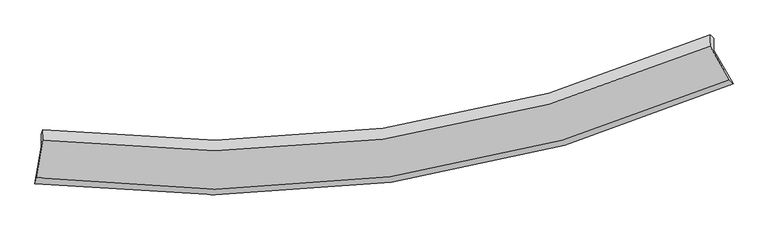
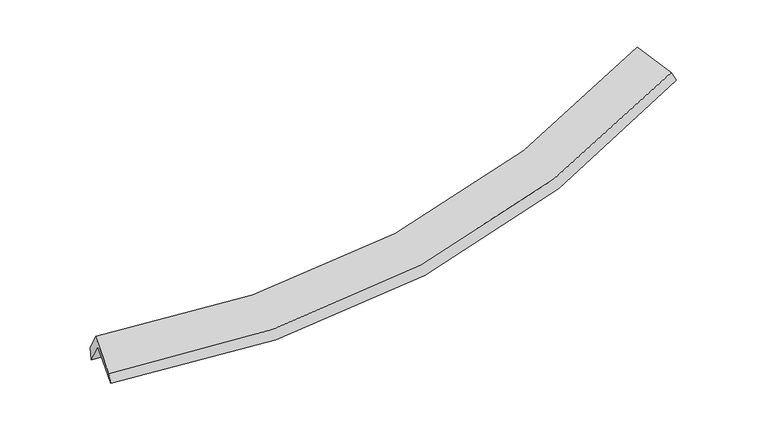
"""IFC4 building model written with IfcOpenShell, lengths in millimetres: proxy geometry."""

from ifc_helpers import new_model, si_unit, frame, origin, place, context, project, spatial, source, transform, mapped, element, save
from ifc_brep_helpers import plane_surface, spline_curve, spline_surface, advanced_brep


def generic_models_18edbecc(model_context):
    return source(origin(), model_context, "Body", "AdvancedBrep", [
        advanced_brep(
        [(-5480.4490627, -2663.4261412, 1492.4344257), (-5380.0252889, -2081.4170834, 1799.2798718), (5239.535453, -557.3775405, 2690.2464203), (5545.8965686, -1084.8680483, 2415.6879405), (-5376.746552, -1888.1496999, 1431.6269301), (5242.726833, -369.2594676, 2332.3890227), (-5355.2930806, -1811.8767352, 1601.3374571), (5187.4442317, -316.0972493, 2458.9837437), (-5358.1644647, -1981.1324301, 1923.3129141), (5184.3558842, -498.1420012, 2805.28785), (-5460.7262749, -2575.532544, 1609.9346846), (5487.987412, -1020.9327231, 2533.1756058)],
        [
            (0, 1),
            (1, 2, spline_curve(3, [(-5380.0252889, -2081.4170834, 1799.2798718), (-3528.264150618, -2313.811019758, 1693.661895495), (-1721.659813874, -2304.8708767, 1714.08548826), (1819.115165469, -1801.781976469, 2008.502533264), (3552.364408854, -1302.708938496, 2285.067790285), (5239.535453, -557.3775405, 2690.2464203)], [4, 2, 4], [0.0, 18.12209438347632, 36.428140513764646])),
            (2, 3),
            (3, 0, spline_curve(3, [(5545.8965686, -1084.8680483, 2415.6879405), (3795.671503669, -1861.099847136, 1993.703305099), (1996.812489192, -2380.13427903, 1706.059655842), (-1679.608558141, -2901.177288593, 1400.994820793), (-3556.198087451, -2908.328887638, 1380.887298194), (-5480.4490627, -2663.4261412, 1492.4344257)], [4, 2, 4], [0.0, 18.306046130288326, 36.428140513764646])),
            (1, 4),
            (4, 5, spline_curve(3, [(-5376.746552, -1888.1496999, 1431.6269301), (-3525.121061739, -2128.539505063, 1341.219511278), (-1718.592097904, -2124.042271455, 1370.094859641), (1822.152532445, -1622.742303512, 1667.914995121), (3555.448029524, -1120.942793658, 1939.293678276), (5242.726833, -369.2594676, 2332.3890227)], [4, 2, 4], [0.0, 17.780805133977694, 35.742097693685906])),
            (5, 2),
            (4, 6),
            (6, 7, spline_curve(3, [(-5355.2930806, -1811.8767352, 1601.3374571), (-3520.935791868, -2043.077061948, 1496.720788494), (-1729.414781336, -2035.868380891, 1514.898846769), (1785.705038474, -1542.139815707, 1798.275387348), (3508.429798759, -1050.755334546, 2065.979424886), (5187.4442317, -316.0972493, 2458.9837437)], [4, 2, 4], [0.0, 17.710923070594493, 35.601624215817026])),
            (7, 5),
            (6, 8),
            (8, 9, spline_curve(3, [(-5358.1644647, -1981.1324301, 1923.3129141), (-3523.783494161, -2210.936817625, 1816.040747462), (-1732.268481433, -2204.081661529, 1834.891315759), (1782.77962343, -1714.580417639, 2126.309500574), (3505.438059603, -1227.105431672, 2401.450577898), (5184.3558842, -498.1420012, 2805.28785)], [4, 2, 4], [0.0, 17.640988490103613, 35.46104517064795])),
            (9, 7),
            (8, 10),
            (10, 11, spline_curve(3, [(-5460.7262749, -2575.532544, 1609.9346846), (-3553.854723126, -2815.451559781, 1522.78878653), (-1692.402943431, -2807.771921992, 1555.157494529), (1958.095049833, -2294.624087017, 1860.465842376), (3746.214498334, -1784.103784788, 2135.844108475), (5487.987412, -1020.9327231, 2533.1756058)], [4, 2, 4], [0.0, 17.980353444089744, 36.14321986677612])),
            (11, 9),
            (10, 0),
            (3, 11),
        ],
        [
            spline_surface(3, 3, [[(-5480.4490627, -2663.4261412, 1492.4344257), (-3556.19808767, -2908.328887874, 1380.887298136), (-1679.608558313, -2901.177288589, 1400.994820558), (1996.812489365, -2380.134279035, 1706.059656079), (3795.671503768, -1861.099847377, 1993.703305241), (5545.8965686, -1084.8680483, 2415.6879405)], [(-5446.974471451, -2469.423121939, 1594.716241062), (-3546.886775361, -2710.156265148, 1485.145497297), (-1693.625643379, -2702.408484638, 1505.358376439), (1937.580047989, -2187.350178164, 1806.873948471), (3714.569138727, -1674.969544399, 2090.824800212), (5443.776196729, -909.037879047, 2507.207433758)], [(-5413.499880149, -2275.420102661, 1696.998056438), (-3537.575462998, -2511.983642405, 1589.403696471), (-1707.642728512, -2503.639680692, 1609.721932354), (1878.347606547, -1994.566077298, 1907.688240897), (3633.466773699, -1488.839241381, 2187.946295209), (5341.655824871, -733.207709753, 2598.726927042)], [(-5380.0252889, -2081.4170834, 1799.2798718), (-3528.264150689, -2313.811019679, 1693.661895633), (-1721.659813579, -2304.870876741, 1714.085488235), (1819.11516517, -1801.781976427, 2008.502533289), (3552.364408659, -1302.708938404, 2285.06779018), (5239.535453, -557.3775405, 2690.2464203)]], [4, 4], [4, 2, 4], [0.0, 2.205150693847862], [0.0, 18.12209438347632, 36.428140513764646]),
            spline_surface(3, 3, [[(-5380.0252889, -2081.4170834, 1799.2798718), (-3528.264150689, -2313.811019679, 1693.661895633), (-1721.659813579, -2304.870876741, 1714.085488235), (1819.11516517, -1801.781976427, 2008.502533289), (3552.364408659, -1302.708938404, 2285.06779018), (5239.535453, -557.3775405, 2690.2464203)], [(-5378.932376599, -2016.994622239, 1676.728891241), (-3527.216454416, -2252.053848098, 1576.181100931), (-1720.637241617, -2244.594674893, 1599.421945308), (1820.127620852, -1742.102085553, 1894.973353954), (3553.392282334, -1242.120223417, 2169.809752863), (5240.599246343, -494.6715162, 2570.960621116)], [(-5377.839464301, -1952.572161061, 1554.177910659), (-3526.168758145, -2190.296676499, 1458.700306206), (-1719.614669648, -2184.31847303, 1484.758402393), (1821.140076543, -1682.422194663, 1781.444174633), (3554.420155981, -1181.531508431, 2054.551715498), (5241.663039657, -431.9654919, 2451.674821884)], [(-5376.746552, -1888.1496999, 1431.6269301), (-3525.121061871, -2128.539504918, 1341.219511505), (-1718.592097686, -2124.042271182, 1370.094859466), (1822.152532225, -1622.742303788, 1667.914995299), (3555.448029656, -1120.942793443, 1939.293678182), (5242.726833, -369.2594676, 2332.3890227)]], [4, 4], [4, 2, 4], [0.0, 1.2686837327804708], [0.0, 17.780805133977694, 35.742097693685906]),
            spline_surface(3, 3, [[(-5376.746552, -1888.1496999, 1431.6269301), (-3525.121061871, -2128.539504918, 1341.219511505), (-1718.592097686, -2124.042271182, 1370.094859466), (1822.152532225, -1622.742303788, 1667.914995299), (3555.448029656, -1120.942793443, 1939.293678182), (5242.726833, -369.2594676, 2332.3890227)], [(-5369.595394841, -1862.725378306, 1488.197105753), (-3523.725971879, -2100.052023912, 1393.053270453), (-1722.199658942, -2094.650974496, 1418.362855162), (1810.003367643, -1595.87480768, 1711.368459381), (3539.775286006, -1097.546973738, 1981.522260401), (5224.299299212, -351.538728175, 2374.587263008)], [(-5362.444237759, -1837.301056794, 1544.767281447), (-3522.330881963, -2071.564542987, 1444.887029442), (-1725.807220141, -2065.259677814, 1466.630850867), (1797.854203117, -1569.007311576, 1754.821923473), (3524.10254242, -1074.151154007, 2023.750842698), (5205.871765488, -333.817988725, 2416.785503392)], [(-5355.2930806, -1811.8767352, 1601.3374571), (-3520.935791971, -2043.077061981, 1496.72078839), (-1729.414781397, -2035.868381128, 1514.898846564), (1785.705038535, -1542.139815468, 1798.275387555), (3508.42979877, -1050.755334302, 2065.979424917), (5187.4442317, -316.0972493, 2458.9837437)]], [4, 4], [4, 2, 4], [0.0, 0.5349725358531963], [0.0, 17.710923070594493, 35.601624215817026]),
            spline_surface(3, 3, [[(-5355.2930806, -1811.8767352, 1601.3374571), (-3520.935791971, -2043.077061981, 1496.72078839), (-1729.414781397, -2035.868381128, 1514.898846564), (1785.705038535, -1542.139815468, 1798.275387555), (3508.42979877, -1050.755334302, 2065.979424917), (5187.4442317, -316.0972493, 2458.9837437)], [(-5356.250208635, -1868.295300171, 1708.662609451), (-3521.885026077, -2099.030313928, 1603.160774818), (-1730.366014656, -2091.939474515, 1621.563003005), (1784.729900092, -1599.620016252, 1907.620091901), (3507.432552433, -1109.53869997, 2177.803142504), (5186.414782524, -376.778833239, 2574.418445815)], [(-5357.207336665, -1924.713865129, 1815.987761749), (-3522.834260178, -2154.983565864, 1709.600761194), (-1731.317247933, -2148.010567932, 1728.227159373), (1783.75476163, -1657.100217067, 2016.964796173), (3506.435306122, -1168.322065719, 2289.626860045), (5185.385333376, -437.460417261, 2689.853147885)], [(-5358.1644647, -1981.1324301, 1923.3129141), (-3523.783494284, -2210.936817811, 1816.040747621), (-1732.268481192, -2204.081661319, 1834.891315814), (1782.779623187, -1714.580417851, 2126.309500519), (3505.438059785, -1227.105431386, 2401.450577631), (5184.3558842, -498.1420012, 2805.28785)]], [4, 4], [4, 2, 4], [0.0, 1.2011550199148322], [0.0, 17.640988490103613, 35.46104517064795]),
            spline_surface(3, 3, [[(-5358.1644647, -1981.1324301, 1923.3129141), (-3523.783494284, -2210.936817811, 1816.040747621), (-1732.268481192, -2204.081661319, 1834.891315814), (1782.779623187, -1714.580417851, 2126.309500519), (3505.438059785, -1227.105431386, 2401.450577631), (5184.3558842, -498.1420012, 2805.28785)], [(-5392.351734789, -2179.265801418, 1818.853504244), (-3533.807237274, -2412.441731852, 1718.290093884), (-1718.979968544, -2405.311748168, 1741.646708642), (1841.218098656, -1907.92830763, 2037.694947833), (3585.696872741, -1412.771549244, 2312.915087867), (5285.566393486, -672.405575175, 2714.583768605)], [(-5426.539004811, -2377.399172682, 1714.394094456), (-3543.830980196, -2613.946645839, 1620.539440214), (-1705.691455869, -2606.541834996, 1648.402101543), (1899.656574152, -2101.276197387, 1949.08039522), (3665.95568564, -1598.437667075, 2224.379598087), (5386.776902714, -846.669149125, 2623.879687195)], [(-5460.7262749, -2575.532544, 1609.9346846), (-3553.854723186, -2815.451559881, 1522.788786476), (-1692.402943221, -2807.771921845, 1555.157494371), (1958.095049621, -2294.624087166, 1860.465842535), (3746.214498596, -1784.103784932, 2135.844108323), (5487.987412, -1020.9327231, 2533.1756058)]], [4, 4], [4, 2, 4], [0.0, 2.1670020763689744], [0.0, 17.980353444089744, 36.14321986677612]),
            spline_surface(3, 3, [[(-5460.7262749, -2575.532544, 1609.9346846), (-3553.854723186, -2815.451559881, 1522.788786476), (-1692.402943221, -2807.771921845, 1555.157494371), (1958.095049621, -2294.624087166, 1860.465842535), (3746.214498596, -1784.103784932, 2135.844108323), (5487.987412, -1020.9327231, 2533.1756058)], [(-5467.300537484, -2604.830409727, 1570.767931649), (-3554.635844665, -2846.410669205, 1475.488290378), (-1688.138148249, -2838.907044094, 1503.769936452), (1971.000862872, -2323.127484457, 1808.997113735), (3762.700166992, -1809.769139077, 2088.463840626), (5507.290464206, -1042.244498163, 2494.013050698)], [(-5473.874800116, -2634.128275473, 1531.601178651), (-3555.416966191, -2877.36977855, 1428.187794234), (-1683.873353285, -2870.042166339, 1452.382378478), (1983.906676114, -2351.630881744, 1757.528384879), (3779.185835371, -1835.434493232, 2041.083572938), (5526.593516394, -1063.556273237, 2454.850495602)], [(-5480.4490627, -2663.4261412, 1492.4344257), (-3556.19808767, -2908.328887874, 1380.887298136), (-1679.608558313, -2901.177288589, 1400.994820558), (1996.812489365, -2380.134279035, 1706.059656079), (3795.671503768, -1861.099847377, 1993.703305241), (5545.8965686, -1084.8680483, 2415.6879405)]], [4, 4], [4, 2, 4], [0.0, 0.5911832687295193], [0.0, 18.3915698694136, 36.969826847530186]),
            plane_surface(frame((5314.6577304, -641.1128383, 2539.2950972), z_axis=(0.88892878912117, 0.40212648765319897, 0.21931688443727254), x_axis=(0.4579774009891981, -0.7885424078929655, -0.410435830718449))),
            plane_surface(frame((-5401.9007873, -2166.922439, 1642.9877139), z_axis=(-0.9885197249932898, 0.13719141697910503, 0.06330298892198141), x_axis=(0.1332116613876304, 0.5936509712855536, 0.7936202981036122))),
        ],
        [
            (0, [[1, 2, 3, 4]]),
            (1, [[5, 6, 7, -2]]),
            (2, [[8, 9, 10, -6]]),
            (3, [[11, 12, 13, -9]]),
            (4, [[14, 15, 16, -12]]),
            (5, [[17, -4, 18, -15]]),
            (6, [[-16, -18, -3, -7, -10, -13]]),
            (7, [[-17, -14, -11, -8, -5, -1]]),
        ],
    ),
    ])


if __name__ == "__main__":
    model = new_model("IFC4")
    model_context = context("Model", 3, world=origin())
    ifc_project = project(units=[si_unit("LENGTHUNIT", "METRE", prefix="MILLI")], contexts=[model_context])
    site = spatial("IfcSite", under=ifc_project)
    building = spatial("IfcBuilding", under=site)
    placement = place(None, origin())
    generic_models_shape = generic_models_18edbecc(model_context)
    element("IfcBuildingElementProxy", 1, Name="Generic Models", at=placement, inside=building, context=model_context, shape_type="MappedRepresentation", body=[
        mapped(generic_models_shape, transform((0.0, 0.0, 0.0), x_axis=(1.0, 0.0, 0.0), y_axis=(0.0, 1.0, 0.0), z_axis=(0.0, 0.0, 1.0))),
    ])
    save(model, "model.ifc")
